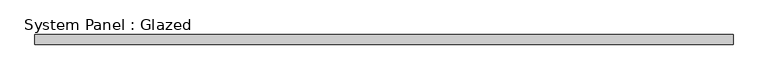
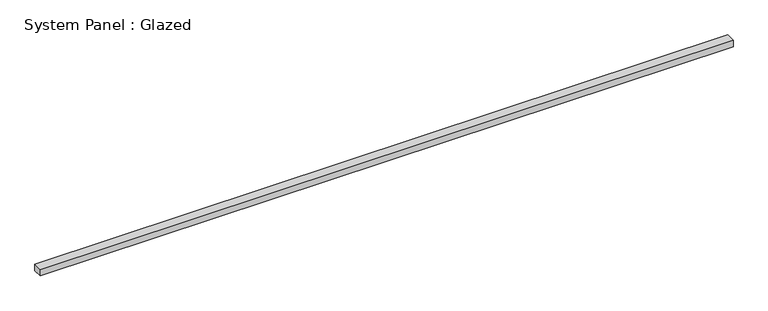
"""IFC4 building model written with IfcOpenShell, lengths in millimetres: plate geometry, System Panel : Glazed."""

from ifc_helpers import new_model, si_unit, origin, origin_with_axes, place, context, project, spatial, polyline, outline, extrude, source, transform, mapped, element, save


def system_panel_glazed_e570b50b(model_context):
    return source(origin(), model_context, "Body", "SweptSolid", [
        extrude(outline(polyline([(905.0, 24.5), (-905.0, 24.5), (-905.0, 49.5), (905.0, 49.5), (905.0, 24.5)])), origin_with_axes(), (0.0, 0.0, 1.0), 17.1692572),
    ])


if __name__ == "__main__":
    model = new_model("IFC4")
    model_context = context("Model", 3, world=origin())
    ifc_project = project(units=[si_unit("LENGTHUNIT", "METRE", prefix="MILLI")], contexts=[model_context])
    site = spatial("IfcSite", under=ifc_project)
    building = spatial("IfcBuilding", under=site)
    placement = place(None, origin())
    system_panel_glazed_shape = system_panel_glazed_e570b50b(model_context)
    element("IfcPlate", 1, ObjectType="System Panel : Glazed", at=placement, inside=building, context=model_context, shape_type="MappedRepresentation", body=[
        mapped(system_panel_glazed_shape, transform((0.0, 0.0, 0.0), x_axis=(1.0, 0.0, 0.0), y_axis=(0.0, 1.0, 0.0), z_axis=(0.0, 0.0, 1.0))),
    ])
    save(model, "model.ifc")
